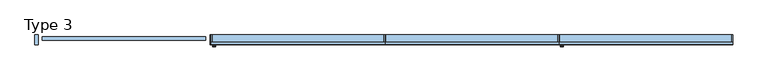
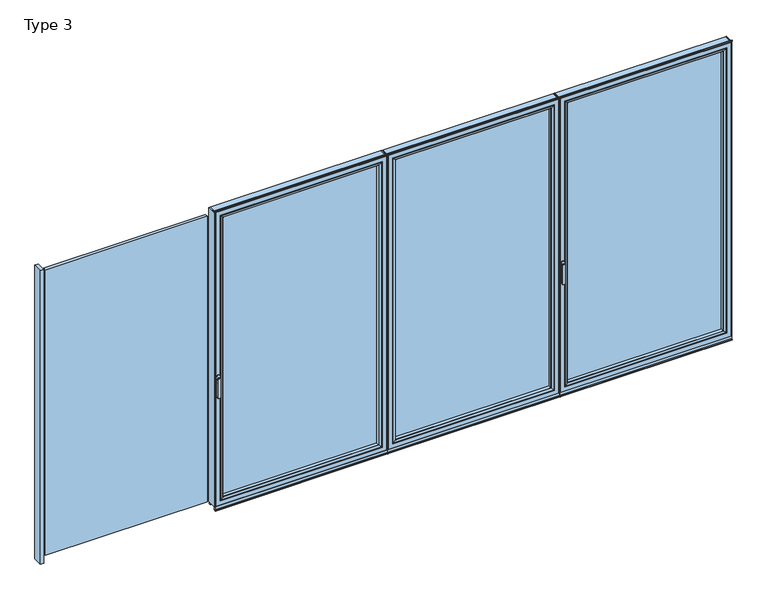
"""IFC4 building model written with IfcOpenShell, lengths in millimetres: window geometry, Type 3."""

from ifc_helpers import new_model, si_unit, point, frame, frame_2d, origin, place, context, project, spatial, polyline, circle_curve, ellipse_curve, trimmed, segment, composite_curve, outline, extrude, source, transform, mapped, element, save
from ifc_brep_helpers import plane_surface, cylinder_surface, extruded_surface, advanced_brep


def type_3_2554c236(model_context):
    return source(origin(), model_context, "Body", "SolidModel", [
        advanced_brep(
        [(-1209.4363692, -73.5, 1050.0), (-1233.4136308, -73.5, 1050.0), (-1209.4363692, -76.8965533, 1050.0), (-1233.4136308, -76.8965533, 1050.0), (-1209.4363692, -84.5, 1050.0), (-1233.4136308, -84.5, 1050.0), (-1233.4136308, -84.5, 918.6867153), (-1209.4363692, -84.5, 918.6867153), (-1209.4363692, -76.8965533, 918.6867153), (-1233.4136308, -76.8965533, 918.6867153)],
        [
            (0, 1, circle_curve(frame((-1221.425, -73.5, 1050.0), z_axis=(0.0, 1.0, 0.0), x_axis=(-1.0, 0.0, 0.0)), 11.9886308)),
            (1, 0, circle_curve(frame((-1221.425, -73.5, 1050.0), z_axis=(0.0, 1.0, 0.0), x_axis=(-1.0, 0.0, 0.0)), 11.9886308)),
            (0, 2),
            (2, 3, circle_curve(frame((-1221.425, -76.8965533, 1050.0), z_axis=(0.0, 1.0, 0.0), x_axis=(-1.0, 0.0, 0.0)), 11.9886308)),
            (3, 1),
            (3, 2, circle_curve(frame((-1221.425, -76.8965533, 1050.0), z_axis=(0.0, 1.0, 0.0), x_axis=(-1.0, 0.0, 0.0)), 11.9886308)),
            (4, 5, circle_curve(frame((-1221.425, -84.5, 1050.0), z_axis=(0.0, -1.0, 0.0), x_axis=(-1.0, 0.0, 0.0)), 11.9886308)),
            (5, 6),
            (6, 7, ellipse_curve(frame((-1221.425, -84.5, 918.6867153), z_axis=(0.0, -1.0, 0.0), x_axis=(1.0, 0.0, 0.0)), 11.9886308, 7.9050795)),
            (7, 4),
            (2, 8),
            (8, 9, ellipse_curve(frame((-1221.425, -76.8965533, 918.6867153), z_axis=(0.0, 1.0, 0.0), x_axis=(1.0, 0.0, 0.0)), 11.9886308, 7.9050795)),
            (9, 3),
            (7, 8),
            (2, 4),
            (6, 9),
            (5, 3),
        ],
        [
            plane_surface(frame((-1233.4136308, -73.5, 1050.0), z_axis=(0.0, 1.0, 0.0), x_axis=(0.0, 0.0, -1.0))),
            cylinder_surface(frame((-1221.425, -73.5, 1050.0), z_axis=(0.0, -1.0, 0.0), x_axis=(-1.0, 0.0, 0.0)), 11.9886308),
            plane_surface(frame((-1209.4363692, -84.5, 928.3382074), z_axis=(0.0, -1.0, 0.0), x_axis=(0.0, 0.0, -1.0))),
            plane_surface(frame((-1209.4363692, -76.8965533, 928.3382074), z_axis=(0.0, 1.0, 0.0), x_axis=(0.0, 0.0, 1.0))),
            plane_surface(frame((-1209.4363692, -84.5, 1050.0), z_axis=(1.0, 0.0, 0.0), x_axis=(0.0, 1.0, 0.0))),
            extruded_surface(trimmed(ellipse_curve(frame((-1221.425, -76.8965533, 918.6867153), z_axis=(0.0, 1.0, 0.0), x_axis=(1.0, 0.0, 0.0)), 11.9886308, 7.9050795), [point((-1209.4363692, -76.8965533, 918.6867153))], [point((-1233.4136308, -76.8965533, 918.6867153))], True, "CARTESIAN"), (0.0, 7.603446699999992, 0.0), 7.603446699999992),
            plane_surface(frame((-1233.4136308, -84.5, 918.6867153), z_axis=(-1.0, 0.0, 0.0), x_axis=(0.0, 1.0, 0.0))),
            cylinder_surface(frame((-1221.425, -76.8965533, 1050.0), z_axis=(0.0, -1.0, 0.0), x_axis=(-1.0, 0.0, 0.0)), 11.9886308),
        ],
        [
            (0, [[1, 2]]),
            (1, [[3, 4, 5, -1]]),
            (1, [[-5, 6, -3, -2]]),
            (2, [[7, 8, 9, 10]]),
            (3, [[-4, 11, 12, 13]]),
            (4, [[14, -11, 15, -10]]),
            (5, [[16, -12, -14, -9]]),
            (6, [[17, -13, -16, -8]]),
            (7, [[-15, -6, -17, -7]]),
        ],
    ),
        extrude(outline(composite_curve([segment(trimmed(circle_curve(frame_2d((1068.75, -1221.425)), 14.0), [point((1068.75, -1207.425))], [point((1068.75, -1235.425))], False, "CARTESIAN"), True, "CONTINUOUS"), segment(polyline([(1068.75, -1235.425), (1031.25, -1235.425)]), True, "CONTINUOUS"), segment(trimmed(circle_curve(frame_2d((1031.25, -1221.425)), 14.0), [point((1031.25, -1235.425))], [point((1031.25, -1207.425))], False, "CARTESIAN"), True, "CONTINUOUS"), segment(polyline([(1031.25, -1207.425), (1068.75, -1207.425)]), True, "CONTINUOUS")], self_intersect=False)), frame((0.0, -73.5, 0.0), z_axis=(0.0, 1.0, 0.0), x_axis=(0.0, 0.0, 1.0)), (0.0, 0.0, 1.0), 3.5),
        extrude(outline(polyline([(10.65, 0.0), (10.65, -70.0), (4.65, -70.0), (4.65, 0.0), (10.65, 0.0)])), frame((0.0, 0.0, 75.0), z_axis=(0.0, 0.0, 1.0), x_axis=(1.0, 0.0, 0.0)), (0.0, 0.0, 1.0), 2262.0),
        extrude(outline(polyline([(-1243.425, 0.0), (-1237.425, 0.0), (-1237.425, -70.0), (-1243.425, -70.0), (-1243.425, 0.0)])), frame((0.0, 0.0, 75.0), z_axis=(0.0, 0.0, 1.0), x_axis=(1.0, 0.0, 0.0)), (0.0, 0.0, 1.0), 2262.0),
        extrude(outline(polyline([(-27.35, -13.999939), (-27.35, -37.9928974), (-1205.425, -37.9928974), (-1205.425, -13.999939), (-27.35, -13.999939)])), frame((0.0, 0.0, 107.0), z_axis=(0.0, 0.0, 1.0), x_axis=(1.0, 0.0, 0.0)), (0.0, 0.0, 1.0), 2198.0),
        advanced_brep(
        [(-1183.4254272, -64.5552044, 2283.0004272), (-1183.4254272, -64.5552044, 128.9995728), (-1183.4254272, -37.9928974, 128.9995728), (-1183.4254272, -37.9928974, 2283.0004272), (-1205.425, -37.9928974, 2305.0), (-27.35, -37.9928974, 2305.0), (-27.35, -37.9928974, 107.0), (-1205.425, -37.9928974, 107.0), (-49.3495728, -37.9928974, 2283.0004272), (-49.3495728, -37.9928974, 128.9995728), (-49.3495728, -64.5552044, 128.9995728), (-1184.1349707, -65.8045072, 2283.7099707), (-1184.1349707, -65.8045072, 128.2900293), (-48.6400293, -65.8045072, 128.2900293), (-1199.425061, -70.0, 2299.000061), (-1199.425061, -70.0, 112.999939), (-33.349939, -70.0, 112.999939), (-27.35, -70.0, 2305.0), (-1205.425, -70.0, 2305.0), (-1205.425, -70.0, 107.0), (-27.35, -70.0, 107.0), (-33.349939, -70.0, 2299.000061), (-49.3495728, -64.5552044, 2283.0004272), (-48.6400293, -65.8045072, 2283.7099707)],
        [
            (0, 1),
            (1, 2),
            (2, 3),
            (3, 0),
            (4, 5),
            (5, 6),
            (6, 7),
            (7, 4),
            (8, 3),
            (2, 9),
            (9, 8),
            (1, 10),
            (10, 9),
            (11, 12),
            (12, 1, ellipse_curve(frame((-1184.8800312, -64.5552044, 127.5449688), z_axis=(-0.7071067811865475, 0.0, 0.7071067811865475), x_axis=(0.7071067811865474, 0.0, 0.7071067811865476)), 2.0571207, 1.454604)),
            (0, 11, ellipse_curve(frame((-1184.8800312, -64.5552044, 2284.4550312), z_axis=(-0.7071067811865475, 0.0, -0.7071067811865475), x_axis=(-0.7071067811865474, 0.0, 0.7071067811865476)), 2.0571207, 1.454604)),
            (12, 13),
            (13, 10, ellipse_curve(frame((-47.8949688, -64.5552044, 127.5449688), z_axis=(-0.7071067811865475, 0.0, -0.7071067811865475), x_axis=(-0.7071067811865476, 0.0, 0.7071067811865474)), 2.0571207, 1.454604)),
            (14, 15),
            (15, 12, ellipse_curve(frame((-1199.3611254, -40.2735922, 113.0638746), z_axis=(-0.7071067811865475, 0.0, 0.7071067811865475), x_axis=(0.7071067811865474, 0.0, 0.7071067811865476)), 42.0395863, 29.7264765)),
            (11, 14, ellipse_curve(frame((-1199.3611254, -40.2735922, 2298.9361254), z_axis=(-0.7071067811865475, 0.0, -0.7071067811865475), x_axis=(-0.7071067811865474, 0.0, 0.7071067811865476)), 42.0395863, 29.7264765)),
            (15, 16),
            (16, 13, ellipse_curve(frame((-33.4138746, -40.2735922, 113.0638746), z_axis=(-0.7071067811865475, 0.0, -0.7071067811865475), x_axis=(-0.7071067811865476, 0.0, 0.7071067811865474)), 42.0395863, 29.7264765)),
            (17, 18),
            (18, 19),
            (19, 20),
            (20, 17),
            (14, 21),
            (21, 16),
            (7, 19),
            (18, 4),
            (6, 20),
            (10, 22),
            (22, 8),
            (13, 23),
            (23, 22, ellipse_curve(frame((-47.8949688, -64.5552044, 2284.4550312), z_axis=(0.7071067811865475, 0.0, -0.7071067811865475), x_axis=(-0.7071067811865474, 0.0, -0.7071067811865476)), 2.0571207, 1.454604)),
            (21, 23, ellipse_curve(frame((-33.4138746, -40.2735922, 2298.9361254), z_axis=(0.7071067811865475, 0.0, -0.7071067811865475), x_axis=(-0.7071067811865474, 0.0, -0.7071067811865476)), 42.0395863, 29.7264765)),
            (5, 17),
            (22, 0),
            (23, 11),
        ],
        [
            plane_surface(frame((-1183.4254272, -37.9928974, 2283.0004272), z_axis=(1.0, 0.0, 0.0), x_axis=(0.0, 0.0, -1.0))),
            plane_surface(frame((-27.35, -37.9928974, 107.0), z_axis=(0.0, 1.0, 0.0), x_axis=(0.0, 0.0, 1.0))),
            plane_surface(frame((-1183.4254272, -37.9928974, 128.9995728), z_axis=(0.0, 0.0, 1.0), x_axis=(1.0, 0.0, 0.0))),
            cylinder_surface(frame((-1184.8800312, -64.5552044, 2283.0004272), z_axis=(0.0, 0.0, 1.0), x_axis=(-1.0, 0.0, 0.0)), 1.454604),
            cylinder_surface(frame((-1183.4254272, -64.5552044, 127.5449688), z_axis=(-1.0, 0.0, 0.0), x_axis=(0.0, 0.0, -1.0)), 1.454604),
            cylinder_surface(frame((-1199.3611254, -40.2735922, 2283.0004272), z_axis=(0.0, 0.0, 1.0), x_axis=(-1.0, 0.0, 0.0)), 29.7264765),
            cylinder_surface(frame((-1183.4254272, -40.2735922, 113.0638746), z_axis=(-1.0, 0.0, 0.0), x_axis=(0.0, 0.0, -1.0)), 29.7264765),
            plane_surface(frame((-33.349939, -70.0, 112.999939), z_axis=(0.0, -1.0, 0.0), x_axis=(0.0, 0.0, 1.0))),
            plane_surface(frame((-1205.425, -70.0, 2305.0), z_axis=(-1.0, 0.0, 0.0), x_axis=(0.0, 0.0, -1.0))),
            plane_surface(frame((-1205.425, -70.0, 107.0), z_axis=(0.0, 0.0, -1.0), x_axis=(1.0, 0.0, 0.0))),
            plane_surface(frame((-49.3495728, -37.9928974, 128.9995728), z_axis=(-1.0, 0.0, 0.0), x_axis=(0.0, 0.0, 1.0))),
            cylinder_surface(frame((-47.8949688, -64.5552044, 128.9995728), z_axis=(0.0, 0.0, -1.0), x_axis=(1.0, 0.0, 0.0)), 1.454604),
            cylinder_surface(frame((-33.4138746, -40.2735922, 128.9995728), z_axis=(0.0, 0.0, -1.0), x_axis=(1.0, 0.0, 0.0)), 29.7264765),
            plane_surface(frame((-27.35, -70.0, 107.0), z_axis=(1.0, 0.0, 0.0), x_axis=(0.0, 0.0, 1.0))),
            plane_surface(frame((-49.3495728, -37.9928974, 2283.0004272), z_axis=(0.0, 0.0, -1.0), x_axis=(-1.0, 0.0, 0.0))),
            cylinder_surface(frame((-49.3495728, -64.5552044, 2284.4550312), z_axis=(1.0, 0.0, 0.0), x_axis=(0.0, 0.0, 1.0)), 1.454604),
            cylinder_surface(frame((-49.3495728, -40.2735922, 2298.9361254), z_axis=(1.0, 0.0, 0.0), x_axis=(0.0, 0.0, 1.0)), 29.7264765),
            plane_surface(frame((-27.35, -70.0, 2305.0), z_axis=(0.0, 0.0, 1.0), x_axis=(-1.0, 0.0, 0.0))),
        ],
        [
            (0, [[1, 2, 3, 4]]),
            (1, [[5, 6, 7, 8], [9, -3, 10, 11]]),
            (2, [[12, 13, -10, -2]]),
            (3, [[14, 15, -1, 16]]),
            (4, [[17, 18, -12, -15]]),
            (5, [[19, 20, -14, 21]]),
            (6, [[22, 23, -17, -20]]),
            (7, [[24, 25, 26, 27], [28, 29, -22, -19]]),
            (8, [[-8, 30, -25, 31]]),
            (9, [[-7, 32, -26, -30]]),
            (10, [[33, 34, -11, -13]]),
            (11, [[35, 36, -33, -18]]),
            (12, [[-29, 37, -35, -23]]),
            (13, [[-6, 38, -27, -32]]),
            (14, [[39, -4, -9, -34]]),
            (15, [[40, -16, -39, -36]]),
            (16, [[-28, -21, -40, -37]]),
            (17, [[-5, -31, -24, -38]]),
        ],
    ),
        advanced_brep(
        [(4.65, -70.0, 2337.0), (4.65, -70.0, 75.0), (4.65, 0.0, 75.0), (4.65, 0.0, 2337.0), (-1237.425, -70.0, 75.0), (-1237.425, 0.0, 75.0), (-1237.425, 0.0, 2337.0), (-1187.9258099, 0.0, 124.4991901), (-44.8491901, 0.0, 124.4991901), (-44.8491901, 0.0, 2287.5008099), (-1187.9258099, 0.0, 2287.5008099), (-1237.425, -70.0, 2337.0), (-27.35, -70.0, 107.0), (-1205.425, -70.0, 107.0), (-1205.425, -70.0, 2305.0), (-27.35, -70.0, 2305.0), (-27.35, -13.999939, 2305.0), (-27.35, -13.999939, 107.0), (-1205.425, -13.999939, 107.0), (-1205.425, -13.999939, 2305.0), (-49.3495728, -13.999939, 128.9995728), (-1183.4254272, -13.999939, 128.9995728), (-1183.4254272, -13.999939, 2283.0004272), (-49.3495728, -13.999939, 2283.0004272), (-49.3495728, -4.5004435, 2283.0004272), (-49.3495728, -4.5004435, 128.9995728), (-1183.4254272, -4.5004435, 128.9995728), (-1183.4254272, -4.5004435, 2283.0004272)],
        [
            (0, 1),
            (1, 2),
            (2, 3),
            (3, 0),
            (1, 4),
            (4, 5),
            (5, 2),
            (5, 6),
            (6, 3),
            (7, 8),
            (8, 9),
            (9, 10),
            (10, 7),
            (4, 11),
            (11, 6),
            (0, 11),
            (12, 13),
            (13, 14),
            (14, 15),
            (15, 12),
            (16, 17),
            (17, 12),
            (15, 16),
            (17, 18),
            (18, 13),
            (18, 19),
            (19, 14),
            (16, 19),
            (20, 21),
            (21, 22),
            (22, 23),
            (23, 20),
            (24, 25),
            (25, 20),
            (23, 24),
            (25, 26),
            (26, 21),
            (26, 27),
            (27, 22),
            (7, 26, ellipse_curve(frame((-1187.9258099, -4.5004435, 124.4991901), z_axis=(0.7071067811865475, 0.0, -0.7071067811865475), x_axis=(0.7071067811865476, 0.0, 0.7071067811865474)), 6.3645023, 4.5003827)),
            (25, 8, ellipse_curve(frame((-44.8491901, -4.5004435, 124.4991901), z_axis=(-0.7071067811865475, 0.0, -0.7071067811865475), x_axis=(0.7071067811865476, 0.0, -0.7071067811865474)), 6.3645023, 4.5003827)),
            (24, 9, ellipse_curve(frame((-44.8491901, -4.5004435, 2287.5008099), z_axis=(0.7071067811865475, 0.0, -0.7071067811865475), x_axis=(0.7071067811865474, 0.0, 0.7071067811865476)), 6.3645023, 4.5003827)),
            (10, 27, ellipse_curve(frame((-1187.9258099, -4.5004435, 2287.5008099), z_axis=(-0.7071067811865475, 0.0, -0.7071067811865475), x_axis=(0.7071067811865474, 0.0, -0.7071067811865476)), 6.3645023, 4.5003827)),
            (27, 24),
        ],
        [
            plane_surface(frame((4.65, 0.0, 2337.0), z_axis=(1.0, 0.0, 0.0), x_axis=(0.0, 0.0, -1.0))),
            plane_surface(frame((4.65, 0.0, 75.0), z_axis=(0.0, 0.0, -1.0), x_axis=(-1.0, 0.0, 0.0))),
            plane_surface(frame((-44.8491901, 0.0, 2287.5008099), z_axis=(0.0, 1.0, 0.0), x_axis=(0.0, 0.0, -1.0))),
            plane_surface(frame((-1237.425, 0.0, 75.0), z_axis=(-1.0, 0.0, 0.0), x_axis=(0.0, 0.0, 1.0))),
            plane_surface(frame((4.65, -70.0, 2337.0), z_axis=(0.0, -1.0, 0.0), x_axis=(0.0, 0.0, -1.0))),
            plane_surface(frame((-27.35, -70.0, 2305.0), z_axis=(-1.0, 0.0, 0.0), x_axis=(0.0, 0.0, -1.0))),
            plane_surface(frame((-27.35, -70.0, 107.0), z_axis=(0.0, 0.0, 1.0), x_axis=(-1.0, 0.0, 0.0))),
            plane_surface(frame((-1205.425, -70.0, 107.0), z_axis=(1.0, 0.0, 0.0), x_axis=(0.0, 0.0, 1.0))),
            plane_surface(frame((-27.35, -13.999939, 2305.0), z_axis=(0.0, -1.0, 0.0), x_axis=(0.0, 0.0, -1.0))),
            plane_surface(frame((-49.3495728, -13.999939, 2283.0004272), z_axis=(-1.0, 0.0, 0.0), x_axis=(0.0, 0.0, -1.0))),
            plane_surface(frame((-49.3495728, -13.999939, 128.9995728), z_axis=(0.0, 0.0, 1.0), x_axis=(-1.0, 0.0, 0.0))),
            plane_surface(frame((-1183.4254272, -13.999939, 128.9995728), z_axis=(1.0, 0.0, 0.0), x_axis=(0.0, 0.0, 1.0))),
            cylinder_surface(frame((10.65, -4.5004435, 124.4991901), z_axis=(1.0, 0.0, 0.0), x_axis=(0.0, -1.0, 0.0)), 4.5003827),
            cylinder_surface(frame((-44.8491901, -4.5004435, 2343.0), z_axis=(0.0, 0.0, 1.0), x_axis=(0.0, -1.0, 0.0)), 4.5003827),
            cylinder_surface(frame((-1187.9258099, -4.5004435, 69.0), z_axis=(0.0, 0.0, -1.0), x_axis=(0.0, -1.0, 0.0)), 4.5003827),
            plane_surface(frame((-1237.425, 0.0, 2337.0), z_axis=(0.0, 0.0, 1.0), x_axis=(1.0, 0.0, 0.0))),
            plane_surface(frame((-1205.425, -70.0, 2305.0), z_axis=(0.0, 0.0, -1.0), x_axis=(1.0, 0.0, 0.0))),
            plane_surface(frame((-1183.4254272, -13.999939, 2283.0004272), z_axis=(0.0, 0.0, -1.0), x_axis=(1.0, 0.0, 0.0))),
            cylinder_surface(frame((-1243.425, -4.5004435, 2287.5008099), z_axis=(-1.0, 0.0, 0.0), x_axis=(0.0, -1.0, 0.0)), 4.5003827),
        ],
        [
            (0, [[1, 2, 3, 4]]),
            (1, [[5, 6, 7, -2]]),
            (2, [[-7, 8, 9, -3], [10, 11, 12, 13]]),
            (3, [[14, 15, -8, -6]]),
            (4, [[-5, -1, 16, -14], [17, 18, 19, 20]]),
            (5, [[21, 22, -20, 23]]),
            (6, [[24, 25, -17, -22]]),
            (7, [[26, 27, -18, -25]]),
            (8, [[-24, -21, 28, -26], [29, 30, 31, 32]]),
            (9, [[33, 34, -32, 35]]),
            (10, [[36, 37, -29, -34]]),
            (11, [[38, 39, -30, -37]]),
            (12, [[-10, 40, -36, 41]]),
            (13, [[-11, -41, -33, 42]]),
            (14, [[-13, 43, -38, -40]]),
            (15, [[-16, -4, -9, -15]]),
            (16, [[-28, -23, -19, -27]]),
            (17, [[44, -35, -31, -39]]),
            (18, [[-12, -42, -44, -43]]),
        ],
    ),
        extrude(outline(polyline([(10.65, -7.6000076), (-1243.425, -7.6000076), (-1243.425, 0.0), (10.65, 0.0), (10.65, -7.6000076)])), frame((0.0, 0.0, 52.9995117), z_axis=(0.0, 0.0, 1.0), x_axis=(1.0, 0.0, 0.0)), (0.0, 0.0, 1.0), 22.0004883),
        extrude(outline(composite_curve([segment(polyline([(-70.0, 45.0), (-70.0, 41.2896854), (-70.8737, 41.2896854), (-71.8670103, 44.9870904)]), True, "CONTINUOUS"), segment(trimmed(circle_curve(frame_2d((-69.9354978, 45.5059925)), 2.0), [point((-71.8670103, 44.9870904))], [point((-71.8566157, 46.0621453))], False, "CARTESIAN"), True, "CONTINUOUS"), segment(polyline([(-71.8566157, 46.0621453), (-70.0, 52.4754501), (-70.0, 75.0), (-62.2757497, 75.0), (-62.2757497, 45.0), (-70.0, 45.0)]), True, "CONTINUOUS")], self_intersect=False)), frame((-1243.425, 0.0, 0.0), z_axis=(1.0, 0.0, 0.0), x_axis=(0.0, 1.0, 0.0)), (0.0, 0.0, 1.0), 1254.075),
        extrude(outline(composite_curve([segment(polyline([(-52.044326, 2339.1400778), (-52.044326, 2337.0), (-70.0, 2337.0), (-71.8735116, 2343.9547971)]), True, "CONTINUOUS"), segment(trimmed(circle_curve(frame_2d((-69.9423544, 2344.4750201)), 2.0), [point((-71.8735116, 2343.9547971))], [point((-71.8738669, 2344.9939222))], False, "CARTESIAN"), True, "CONTINUOUS"), segment(polyline([(-71.8738669, 2344.9939222), (-70.8937897, 2348.6420698), (-70.0, 2348.6420698), (-70.0, 2342.963961), (-68.6363596, 2339.1400778), (-52.044326, 2339.1400778)]), True, "CONTINUOUS")], self_intersect=False)), frame((-1243.425, 0.0, 0.0), z_axis=(1.0, 0.0, 0.0), x_axis=(0.0, 1.0, 0.0)), (0.0, 0.0, 1.0), 1254.075),
        extrude(outline(polyline([(10.65, 0.0), (16.65, 0.0), (16.65, -70.0), (10.65, -70.0), (10.65, 0.0)])), frame((0.0, 0.0, 75.0), z_axis=(0.0, 0.0, 1.0), x_axis=(1.0, 0.0, 0.0)), (0.0, 0.0, 1.0), 2262.0),
        extrude(outline(polyline([(1264.725, 0.0), (1264.725, -70.0), (1258.725, -70.0), (1258.725, 0.0), (1264.725, 0.0)])), frame((0.0, 0.0, 75.0), z_axis=(0.0, 0.0, 1.0), x_axis=(1.0, 0.0, 0.0)), (0.0, 0.0, 1.0), 2262.0),
        extrude(outline(polyline([(48.65, -13.999939), (1226.725, -13.999939), (1226.725, -37.9928974), (48.65, -37.9928974), (48.65, -13.999939)])), frame((0.0, 0.0, 107.0), z_axis=(0.0, 0.0, 1.0), x_axis=(1.0, 0.0, 0.0)), (0.0, 0.0, 1.0), 2198.0),
        advanced_brep(
        [(1204.7254272, -64.5552044, 2283.0004272), (1204.7254272, -37.9928974, 2283.0004272), (1204.7254272, -37.9928974, 128.9995728), (1204.7254272, -64.5552044, 128.9995728), (1226.725, -37.9928974, 2305.0), (1226.725, -37.9928974, 107.0), (48.65, -37.9928974, 107.0), (48.65, -37.9928974, 2305.0), (70.6495728, -37.9928974, 2283.0004272), (70.6495728, -37.9928974, 128.9995728), (70.6495728, -64.5552044, 128.9995728), (1205.4349707, -65.8045072, 2283.7099707), (1205.4349707, -65.8045072, 128.2900293), (69.9400293, -65.8045072, 128.2900293), (1220.725061, -70.0, 2299.000061), (1220.725061, -70.0, 112.999939), (54.649939, -70.0, 112.999939), (48.65, -70.0, 2305.0), (48.65, -70.0, 107.0), (1226.725, -70.0, 107.0), (1226.725, -70.0, 2305.0), (54.649939, -70.0, 2299.000061), (70.6495728, -64.5552044, 2283.0004272), (69.9400293, -65.8045072, 2283.7099707)],
        [
            (0, 1),
            (1, 2),
            (2, 3),
            (3, 0),
            (4, 5),
            (5, 6),
            (6, 7),
            (7, 4),
            (8, 9),
            (9, 2),
            (1, 8),
            (9, 10),
            (10, 3),
            (11, 0, ellipse_curve(frame((1206.1800312, -64.5552044, 2284.4550312), z_axis=(0.7071067811865475, 0.0, -0.7071067811865475), x_axis=(0.7071067811865474, 0.0, 0.7071067811865476)), 2.0571207, 1.454604)),
            (3, 12, ellipse_curve(frame((1206.1800312, -64.5552044, 127.5449688), z_axis=(0.7071067811865475, 0.0, 0.7071067811865475), x_axis=(-0.7071067811865474, 0.0, 0.7071067811865476)), 2.0571207, 1.454604)),
            (12, 11),
            (10, 13, ellipse_curve(frame((69.1949688, -64.5552044, 127.5449688), z_axis=(0.7071067811865475, 0.0, -0.7071067811865475), x_axis=(0.7071067811865476, 0.0, 0.7071067811865474)), 2.0571207, 1.454604)),
            (13, 12),
            (14, 11, ellipse_curve(frame((1220.6611254, -40.2735922, 2298.9361254), z_axis=(0.7071067811865475, 0.0, -0.7071067811865475), x_axis=(0.7071067811865474, 0.0, 0.7071067811865476)), 42.0395863, 29.7264765)),
            (12, 15, ellipse_curve(frame((1220.6611254, -40.2735922, 113.0638746), z_axis=(0.7071067811865475, 0.0, 0.7071067811865475), x_axis=(-0.7071067811865474, 0.0, 0.7071067811865476)), 42.0395863, 29.7264765)),
            (15, 14),
            (13, 16, ellipse_curve(frame((54.7138746, -40.2735922, 113.0638746), z_axis=(0.7071067811865475, 0.0, -0.7071067811865475), x_axis=(0.7071067811865476, 0.0, 0.7071067811865474)), 42.0395863, 29.7264765)),
            (16, 15),
            (17, 18),
            (18, 19),
            (19, 20),
            (20, 17),
            (16, 21),
            (21, 14),
            (4, 20),
            (19, 5),
            (18, 6),
            (8, 22),
            (22, 10),
            (22, 23, ellipse_curve(frame((69.1949688, -64.5552044, 2284.4550312), z_axis=(-0.7071067811865475, 0.0, -0.7071067811865475), x_axis=(0.7071067811865474, 0.0, -0.7071067811865476)), 2.0571207, 1.454604)),
            (23, 13),
            (23, 21, ellipse_curve(frame((54.7138746, -40.2735922, 2298.9361254), z_axis=(-0.7071067811865475, 0.0, -0.7071067811865475), x_axis=(0.7071067811865474, 0.0, -0.7071067811865476)), 42.0395863, 29.7264765)),
            (17, 7),
            (0, 22),
            (11, 23),
        ],
        [
            plane_surface(frame((1204.7254272, -37.9928974, 2283.0004272), z_axis=(-1.0, 0.0, 0.0), x_axis=(0.0, 0.0, -1.0))),
            plane_surface(frame((48.65, -37.9928974, 107.0), z_axis=(0.0, 1.0, 0.0), x_axis=(0.0, 0.0, 1.0))),
            plane_surface(frame((1204.7254272, -37.9928974, 128.9995728), z_axis=(0.0, 0.0, 1.0), x_axis=(-1.0, 0.0, 0.0))),
            cylinder_surface(frame((1206.1800312, -64.5552044, 2283.0004272), z_axis=(0.0, 0.0, 1.0), x_axis=(1.0, 0.0, 0.0)), 1.454604),
            cylinder_surface(frame((1204.7254272, -64.5552044, 127.5449688), z_axis=(1.0, 0.0, 0.0), x_axis=(0.0, 0.0, -1.0)), 1.454604),
            cylinder_surface(frame((1220.6611254, -40.2735922, 2283.0004272), z_axis=(0.0, 0.0, 1.0), x_axis=(1.0, 0.0, 0.0)), 29.7264765),
            cylinder_surface(frame((1204.7254272, -40.2735922, 113.0638746), z_axis=(1.0, 0.0, 0.0), x_axis=(0.0, 0.0, -1.0)), 29.7264765),
            plane_surface(frame((54.649939, -70.0, 112.999939), z_axis=(0.0, -1.0, 0.0), x_axis=(0.0, 0.0, 1.0))),
            plane_surface(frame((1226.725, -70.0, 2305.0), z_axis=(1.0, 0.0, 0.0), x_axis=(0.0, 0.0, -1.0))),
            plane_surface(frame((1226.725, -70.0, 107.0), z_axis=(0.0, 0.0, -1.0), x_axis=(-1.0, 0.0, 0.0))),
            plane_surface(frame((70.6495728, -37.9928974, 128.9995728), z_axis=(1.0, 0.0, 0.0), x_axis=(0.0, 0.0, 1.0))),
            cylinder_surface(frame((69.1949688, -64.5552044, 128.9995728), z_axis=(0.0, 0.0, -1.0), x_axis=(-1.0, 0.0, 0.0)), 1.454604),
            cylinder_surface(frame((54.7138746, -40.2735922, 128.9995728), z_axis=(0.0, 0.0, -1.0), x_axis=(-1.0, 0.0, 0.0)), 29.7264765),
            plane_surface(frame((48.65, -70.0, 107.0), z_axis=(-1.0, 0.0, 0.0), x_axis=(0.0, 0.0, 1.0))),
            plane_surface(frame((70.6495728, -37.9928974, 2283.0004272), z_axis=(0.0, 0.0, -1.0), x_axis=(1.0, 0.0, 0.0))),
            cylinder_surface(frame((70.6495728, -64.5552044, 2284.4550312), z_axis=(-1.0, 0.0, 0.0), x_axis=(0.0, 0.0, 1.0)), 1.454604),
            cylinder_surface(frame((70.6495728, -40.2735922, 2298.9361254), z_axis=(-1.0, 0.0, 0.0), x_axis=(0.0, 0.0, 1.0)), 29.7264765),
            plane_surface(frame((48.65, -70.0, 2305.0), z_axis=(0.0, 0.0, 1.0), x_axis=(1.0, 0.0, 0.0))),
        ],
        [
            (0, [[1, 2, 3, 4]]),
            (1, [[5, 6, 7, 8], [9, 10, -2, 11]]),
            (2, [[-3, -10, 12, 13]]),
            (3, [[14, -4, 15, 16]]),
            (4, [[-15, -13, 17, 18]]),
            (5, [[19, -16, 20, 21]]),
            (6, [[-20, -18, 22, 23]]),
            (7, [[24, 25, 26, 27], [-21, -23, 28, 29]]),
            (8, [[30, -26, 31, -5]]),
            (9, [[-31, -25, 32, -6]]),
            (10, [[-12, -9, 33, 34]]),
            (11, [[-17, -34, 35, 36]]),
            (12, [[-22, -36, 37, -28]]),
            (13, [[-32, -24, 38, -7]]),
            (14, [[-33, -11, -1, 39]]),
            (15, [[-35, -39, -14, 40]]),
            (16, [[-37, -40, -19, -29]]),
            (17, [[-38, -27, -30, -8]]),
        ],
    ),
        advanced_brep(
        [(16.65, -70.0, 2337.0), (16.65, 0.0, 2337.0), (16.65, 0.0, 75.0), (16.65, -70.0, 75.0), (1258.725, 0.0, 75.0), (1258.725, -70.0, 75.0), (1258.725, 0.0, 2337.0), (1209.2258099, 0.0, 124.4991901), (1209.2258099, 0.0, 2287.5008099), (66.1491901, 0.0, 2287.5008099), (66.1491901, 0.0, 124.4991901), (1258.725, -70.0, 2337.0), (48.65, -70.0, 107.0), (48.65, -70.0, 2305.0), (1226.725, -70.0, 2305.0), (1226.725, -70.0, 107.0), (48.65, -13.999939, 2305.0), (48.65, -13.999939, 107.0), (1226.725, -13.999939, 107.0), (1226.725, -13.999939, 2305.0), (70.6495728, -13.999939, 128.9995728), (70.6495728, -13.999939, 2283.0004272), (1204.7254272, -13.999939, 2283.0004272), (1204.7254272, -13.999939, 128.9995728), (70.6495728, -4.5004435, 2283.0004272), (70.6495728, -4.5004435, 128.9995728), (1204.7254272, -4.5004435, 128.9995728), (1204.7254272, -4.5004435, 2283.0004272)],
        [
            (0, 1),
            (1, 2),
            (2, 3),
            (3, 0),
            (2, 4),
            (4, 5),
            (5, 3),
            (1, 6),
            (6, 4),
            (7, 8),
            (8, 9),
            (9, 10),
            (10, 7),
            (6, 11),
            (11, 5),
            (11, 0),
            (12, 13),
            (13, 14),
            (14, 15),
            (15, 12),
            (16, 13),
            (12, 17),
            (17, 16),
            (15, 18),
            (18, 17),
            (14, 19),
            (19, 18),
            (19, 16),
            (20, 21),
            (21, 22),
            (22, 23),
            (23, 20),
            (24, 21),
            (20, 25),
            (25, 24),
            (23, 26),
            (26, 25),
            (22, 27),
            (27, 26),
            (10, 25, ellipse_curve(frame((66.1491901, -4.5004435, 124.4991901), z_axis=(0.7071067811865475, 0.0, -0.7071067811865475), x_axis=(-0.7071067811865476, 0.0, -0.7071067811865474)), 6.3645023, 4.5003827)),
            (26, 7, ellipse_curve(frame((1209.2258099, -4.5004435, 124.4991901), z_axis=(-0.7071067811865475, 0.0, -0.7071067811865475), x_axis=(-0.7071067811865476, 0.0, 0.7071067811865474)), 6.3645023, 4.5003827)),
            (9, 24, ellipse_curve(frame((66.1491901, -4.5004435, 2287.5008099), z_axis=(-0.7071067811865475, 0.0, -0.7071067811865475), x_axis=(-0.7071067811865474, 0.0, 0.7071067811865476)), 6.3645023, 4.5003827)),
            (27, 8, ellipse_curve(frame((1209.2258099, -4.5004435, 2287.5008099), z_axis=(0.7071067811865475, 0.0, -0.7071067811865475), x_axis=(-0.7071067811865474, 0.0, -0.7071067811865476)), 6.3645023, 4.5003827)),
            (24, 27),
        ],
        [
            plane_surface(frame((16.65, 0.0, 2337.0), z_axis=(-1.0, 0.0, 0.0), x_axis=(0.0, 0.0, -1.0))),
            plane_surface(frame((16.65, 0.0, 75.0), z_axis=(0.0, 0.0, -1.0), x_axis=(1.0, 0.0, 0.0))),
            plane_surface(frame((66.1491901, 0.0, 2287.5008099), z_axis=(0.0, 1.0, 0.0), x_axis=(0.0, 0.0, -1.0))),
            plane_surface(frame((1258.725, 0.0, 75.0), z_axis=(1.0, 0.0, 0.0), x_axis=(0.0, 0.0, 1.0))),
            plane_surface(frame((16.65, -70.0, 2337.0), z_axis=(0.0, -1.0, 0.0), x_axis=(0.0, 0.0, -1.0))),
            plane_surface(frame((48.65, -70.0, 2305.0), z_axis=(1.0, 0.0, 0.0), x_axis=(0.0, 0.0, -1.0))),
            plane_surface(frame((48.65, -70.0, 107.0), z_axis=(0.0, 0.0, 1.0), x_axis=(1.0, 0.0, 0.0))),
            plane_surface(frame((1226.725, -70.0, 107.0), z_axis=(-1.0, 0.0, 0.0), x_axis=(0.0, 0.0, 1.0))),
            plane_surface(frame((48.65, -13.999939, 2305.0), z_axis=(0.0, -1.0, 0.0), x_axis=(0.0, 0.0, -1.0))),
            plane_surface(frame((70.6495728, -13.999939, 2283.0004272), z_axis=(1.0, 0.0, 0.0), x_axis=(0.0, 0.0, -1.0))),
            plane_surface(frame((70.6495728, -13.999939, 128.9995728), z_axis=(0.0, 0.0, 1.0), x_axis=(1.0, 0.0, 0.0))),
            plane_surface(frame((1204.7254272, -13.999939, 128.9995728), z_axis=(-1.0, 0.0, 0.0), x_axis=(0.0, 0.0, 1.0))),
            cylinder_surface(frame((10.65, -4.5004435, 124.4991901), z_axis=(-1.0, 0.0, 0.0), x_axis=(0.0, -1.0, 0.0)), 4.5003827),
            cylinder_surface(frame((66.1491901, -4.5004435, 2343.0), z_axis=(0.0, 0.0, 1.0), x_axis=(0.0, -1.0, 0.0)), 4.5003827),
            cylinder_surface(frame((1209.2258099, -4.5004435, 69.0), z_axis=(0.0, 0.0, -1.0), x_axis=(0.0, -1.0, 0.0)), 4.5003827),
            plane_surface(frame((1258.725, 0.0, 2337.0), z_axis=(0.0, 0.0, 1.0), x_axis=(-1.0, 0.0, 0.0))),
            plane_surface(frame((1226.725, -70.0, 2305.0), z_axis=(0.0, 0.0, -1.0), x_axis=(-1.0, 0.0, 0.0))),
            plane_surface(frame((1204.7254272, -13.999939, 2283.0004272), z_axis=(0.0, 0.0, -1.0), x_axis=(-1.0, 0.0, 0.0))),
            cylinder_surface(frame((1264.725, -4.5004435, 2287.5008099), z_axis=(1.0, 0.0, 0.0), x_axis=(0.0, -1.0, 0.0)), 4.5003827),
        ],
        [
            (0, [[1, 2, 3, 4]]),
            (1, [[-3, 5, 6, 7]]),
            (2, [[-2, 8, 9, -5], [10, 11, 12, 13]]),
            (3, [[-6, -9, 14, 15]]),
            (4, [[-15, 16, -4, -7], [17, 18, 19, 20]]),
            (5, [[21, -17, 22, 23]]),
            (6, [[-22, -20, 24, 25]]),
            (7, [[-24, -19, 26, 27]]),
            (8, [[-27, 28, -23, -25], [29, 30, 31, 32]]),
            (9, [[33, -29, 34, 35]]),
            (10, [[-34, -32, 36, 37]]),
            (11, [[-36, -31, 38, 39]]),
            (12, [[40, -37, 41, -13]]),
            (13, [[42, -35, -40, -12]]),
            (14, [[-41, -39, 43, -10]]),
            (15, [[-14, -8, -1, -16]]),
            (16, [[-26, -18, -21, -28]]),
            (17, [[-38, -30, -33, 44]]),
            (18, [[-43, -44, -42, -11]]),
        ],
    ),
        extrude(outline(polyline([(10.65, -7.6000076), (10.65, 0.0), (1264.725, 0.0), (1264.725, -7.6000076), (10.65, -7.6000076)])), frame((0.0, 0.0, 52.9995117), z_axis=(0.0, 0.0, 1.0), x_axis=(1.0, 0.0, 0.0)), (0.0, 0.0, 1.0), 22.0004883),
        extrude(outline(composite_curve([segment(polyline([(-70.0, 45.0), (-70.0, 41.2896854), (-70.8737, 41.2896854), (-71.8670103, 44.9870904)]), True, "CONTINUOUS"), segment(trimmed(circle_curve(frame_2d((-69.9354978, 45.5059925)), 2.0), [point((-71.8670103, 44.9870904))], [point((-71.8566157, 46.0621453))], False, "CARTESIAN"), True, "CONTINUOUS"), segment(polyline([(-71.8566157, 46.0621453), (-70.0, 52.4754501), (-70.0, 75.0), (-62.2757497, 75.0), (-62.2757497, 45.0), (-70.0, 45.0)]), True, "CONTINUOUS")], self_intersect=False)), frame((10.65, 0.0, 0.0), z_axis=(1.0, 0.0, 0.0), x_axis=(0.0, 1.0, 0.0)), (0.0, 0.0, 1.0), 1254.075),
        extrude(outline(composite_curve([segment(polyline([(-52.044326, 2339.1400778), (-52.044326, 2337.0), (-70.0, 2337.0), (-71.8735116, 2343.9547971)]), True, "CONTINUOUS"), segment(trimmed(circle_curve(frame_2d((-69.9423544, 2344.4750201)), 2.0), [point((-71.8735116, 2343.9547971))], [point((-71.8738669, 2344.9939222))], False, "CARTESIAN"), True, "CONTINUOUS"), segment(polyline([(-71.8738669, 2344.9939222), (-70.8937897, 2348.6420698), (-70.0, 2348.6420698), (-70.0, 2342.963961), (-68.6363596, 2339.1400778), (-52.044326, 2339.1400778)]), True, "CONTINUOUS")], self_intersect=False)), frame((10.65, 0.0, 0.0), z_axis=(1.0, 0.0, 0.0), x_axis=(0.0, 1.0, 0.0)), (0.0, 0.0, 1.0), 1254.075),
        advanced_brep(
        [(1298.7136308, -73.5, 1050.0), (1274.7363692, -73.5, 1050.0), (1298.7136308, -76.8965533, 1050.0), (1274.7363692, -76.8965533, 1050.0), (1298.7136308, -84.5, 1050.0), (1274.7363692, -84.5, 1050.0), (1274.7363692, -84.5, 918.6867153), (1298.7136308, -84.5, 918.6867153), (1298.7136308, -76.8965533, 918.6867153), (1274.7363692, -76.8965533, 918.6867153)],
        [
            (0, 1, circle_curve(frame((1286.725, -73.5, 1050.0), z_axis=(0.0, 1.0, 0.0), x_axis=(-1.0, 0.0, 0.0)), 11.9886308)),
            (1, 0, circle_curve(frame((1286.725, -73.5, 1050.0), z_axis=(0.0, 1.0, 0.0), x_axis=(-1.0, 0.0, 0.0)), 11.9886308)),
            (0, 2),
            (2, 3, circle_curve(frame((1286.725, -76.8965533, 1050.0), z_axis=(0.0, 1.0, 0.0), x_axis=(-1.0, 0.0, 0.0)), 11.9886308)),
            (3, 1),
            (3, 2, circle_curve(frame((1286.725, -76.8965533, 1050.0), z_axis=(0.0, 1.0, 0.0), x_axis=(-1.0, 0.0, 0.0)), 11.9886308)),
            (4, 5, circle_curve(frame((1286.725, -84.5, 1050.0), z_axis=(0.0, -1.0, 0.0), x_axis=(-1.0, 0.0, 0.0)), 11.9886308)),
            (5, 6),
            (6, 7, ellipse_curve(frame((1286.725, -84.5, 918.6867153), z_axis=(0.0, -1.0, 0.0), x_axis=(1.0, 0.0, 0.0)), 11.9886308, 7.9050795)),
            (7, 4),
            (2, 8),
            (8, 9, ellipse_curve(frame((1286.725, -76.8965533, 918.6867153), z_axis=(0.0, 1.0, 0.0), x_axis=(1.0, 0.0, 0.0)), 11.9886308, 7.9050795)),
            (9, 3),
            (7, 8),
            (2, 4),
            (6, 9),
            (5, 3),
        ],
        [
            plane_surface(frame((1274.7363692, -73.5, 1050.0), z_axis=(0.0, 1.0, 0.0), x_axis=(0.0, 0.0, -1.0))),
            cylinder_surface(frame((1286.725, -73.5, 1050.0), z_axis=(0.0, -1.0, 0.0), x_axis=(-1.0, 0.0, 0.0)), 11.9886308),
            plane_surface(frame((1298.7136308, -84.5, 928.3382074), z_axis=(0.0, -1.0, 0.0), x_axis=(0.0, 0.0, -1.0))),
            plane_surface(frame((1298.7136308, -76.8965533, 928.3382074), z_axis=(0.0, 1.0, 0.0), x_axis=(0.0, 0.0, 1.0))),
            plane_surface(frame((1298.7136308, -84.5, 1050.0), z_axis=(1.0, 0.0, 0.0), x_axis=(0.0, 1.0, 0.0))),
            extruded_surface(trimmed(ellipse_curve(frame((1286.725, -76.8965533, 918.6867153), z_axis=(0.0, 1.0, 0.0), x_axis=(1.0, 0.0, 0.0)), 11.9886308, 7.9050795), [point((1298.7136308, -76.8965533, 918.6867153))], [point((1274.7363692, -76.8965533, 918.6867153))], True, "CARTESIAN"), (0.0, 7.603446699999992, 0.0), 7.603446699999992),
            plane_surface(frame((1274.7363692, -84.5, 918.6867153), z_axis=(-1.0, 0.0, 0.0), x_axis=(0.0, 1.0, 0.0))),
            cylinder_surface(frame((1286.725, -76.8965533, 1050.0), z_axis=(0.0, -1.0, 0.0), x_axis=(-1.0, 0.0, 0.0)), 11.9886308),
        ],
        [
            (0, [[1, 2]]),
            (1, [[3, 4, 5, -1]]),
            (1, [[-5, 6, -3, -2]]),
            (2, [[7, 8, 9, 10]]),
            (3, [[-4, 11, 12, 13]]),
            (4, [[14, -11, 15, -10]]),
            (5, [[16, -12, -14, -9]]),
            (6, [[17, -13, -16, -8]]),
            (7, [[-15, -6, -17, -7]]),
        ],
    ),
        extrude(outline(composite_curve([segment(trimmed(circle_curve(frame_2d((1068.75, 1286.725)), 14.0), [point((1068.75, 1300.725))], [point((1068.75, 1272.725))], False, "CARTESIAN"), True, "CONTINUOUS"), segment(polyline([(1068.75, 1272.725), (1031.25, 1272.725)]), True, "CONTINUOUS"), segment(trimmed(circle_curve(frame_2d((1031.25, 1286.725)), 14.0), [point((1031.25, 1272.725))], [point((1031.25, 1300.725))], False, "CARTESIAN"), True, "CONTINUOUS"), segment(polyline([(1031.25, 1300.725), (1068.75, 1300.725)]), True, "CONTINUOUS")], self_intersect=False)), frame((0.0, -73.5, 0.0), z_axis=(0.0, 1.0, 0.0), x_axis=(0.0, 0.0, 1.0)), (0.0, 0.0, 1.0), 3.5),
        extrude(outline(polyline([(2518.8, 0.0), (2518.8, -70.0), (2512.8, -70.0), (2512.8, 0.0), (2518.8, 0.0)])), frame((0.0, 0.0, 75.0), z_axis=(0.0, 0.0, 1.0), x_axis=(1.0, 0.0, 0.0)), (0.0, 0.0, 1.0), 2262.0),
        extrude(outline(polyline([(1264.725, 0.0), (1270.725, 0.0), (1270.725, -70.0), (1264.725, -70.0), (1264.725, 0.0)])), frame((0.0, 0.0, 75.0), z_axis=(0.0, 0.0, 1.0), x_axis=(1.0, 0.0, 0.0)), (0.0, 0.0, 1.0), 2262.0),
        extrude(outline(polyline([(2480.8, -13.999939), (2480.8, -37.9928974), (1302.725, -37.9928974), (1302.725, -13.999939), (2480.8, -13.999939)])), frame((0.0, 0.0, 107.0), z_axis=(0.0, 0.0, 1.0), x_axis=(1.0, 0.0, 0.0)), (0.0, 0.0, 1.0), 2198.0),
        advanced_brep(
        [(1324.7245728, -64.5552044, 2283.0004272), (1324.7245728, -64.5552044, 128.9995728), (1324.7245728, -37.9928974, 128.9995728), (1324.7245728, -37.9928974, 2283.0004272), (1302.725, -37.9928974, 2305.0), (2480.8, -37.9928974, 2305.0), (2480.8, -37.9928974, 107.0), (1302.725, -37.9928974, 107.0), (2458.8004272, -37.9928974, 2283.0004272), (2458.8004272, -37.9928974, 128.9995728), (2458.8004272, -64.5552044, 128.9995728), (1324.0150293, -65.8045072, 2283.7099707), (1324.0150293, -65.8045072, 128.2900293), (2459.5099707, -65.8045072, 128.2900293), (1308.724939, -70.0, 2299.000061), (1308.724939, -70.0, 112.999939), (2474.800061, -70.0, 112.999939), (2480.8, -70.0, 2305.0), (1302.725, -70.0, 2305.0), (1302.725, -70.0, 107.0), (2480.8, -70.0, 107.0), (2474.800061, -70.0, 2299.000061), (2458.8004272, -64.5552044, 2283.0004272), (2459.5099707, -65.8045072, 2283.7099707)],
        [
            (0, 1),
            (1, 2),
            (2, 3),
            (3, 0),
            (4, 5),
            (5, 6),
            (6, 7),
            (7, 4),
            (8, 3),
            (2, 9),
            (9, 8),
            (1, 10),
            (10, 9),
            (11, 12),
            (12, 1, ellipse_curve(frame((1323.2699688, -64.5552044, 127.5449688), z_axis=(-0.7071067811865475, 0.0, 0.7071067811865475), x_axis=(0.7071067811865474, 0.0, 0.7071067811865476)), 2.0571207, 1.454604)),
            (0, 11, ellipse_curve(frame((1323.2699688, -64.5552044, 2284.4550312), z_axis=(-0.7071067811865475, 0.0, -0.7071067811865475), x_axis=(-0.7071067811865474, 0.0, 0.7071067811865476)), 2.0571207, 1.454604)),
            (12, 13),
            (13, 10, ellipse_curve(frame((2460.2550312, -64.5552044, 127.5449688), z_axis=(-0.7071067811865475, 0.0, -0.7071067811865475), x_axis=(-0.7071067811865476, 0.0, 0.7071067811865474)), 2.0571207, 1.454604)),
            (14, 15),
            (15, 12, ellipse_curve(frame((1308.7888746, -40.2735922, 113.0638746), z_axis=(-0.7071067811865475, 0.0, 0.7071067811865475), x_axis=(0.7071067811865474, 0.0, 0.7071067811865476)), 42.0395863, 29.7264765)),
            (11, 14, ellipse_curve(frame((1308.7888746, -40.2735922, 2298.9361254), z_axis=(-0.7071067811865475, 0.0, -0.7071067811865475), x_axis=(-0.7071067811865474, 0.0, 0.7071067811865476)), 42.0395863, 29.7264765)),
            (15, 16),
            (16, 13, ellipse_curve(frame((2474.7361254, -40.2735922, 113.0638746), z_axis=(-0.7071067811865475, 0.0, -0.7071067811865475), x_axis=(-0.7071067811865476, 0.0, 0.7071067811865474)), 42.0395863, 29.7264765)),
            (17, 18),
            (18, 19),
            (19, 20),
            (20, 17),
            (14, 21),
            (21, 16),
            (7, 19),
            (18, 4),
            (6, 20),
            (10, 22),
            (22, 8),
            (13, 23),
            (23, 22, ellipse_curve(frame((2460.2550312, -64.5552044, 2284.4550312), z_axis=(0.7071067811865475, 0.0, -0.7071067811865475), x_axis=(-0.7071067811865474, 0.0, -0.7071067811865476)), 2.0571207, 1.454604)),
            (21, 23, ellipse_curve(frame((2474.7361254, -40.2735922, 2298.9361254), z_axis=(0.7071067811865475, 0.0, -0.7071067811865475), x_axis=(-0.7071067811865474, 0.0, -0.7071067811865476)), 42.0395863, 29.7264765)),
            (5, 17),
            (22, 0),
            (23, 11),
        ],
        [
            plane_surface(frame((1324.7245728, -37.9928974, 2283.0004272), z_axis=(1.0, 0.0, 0.0), x_axis=(0.0, 0.0, -1.0))),
            plane_surface(frame((2480.8, -37.9928974, 107.0), z_axis=(0.0, 1.0, 0.0), x_axis=(0.0, 0.0, 1.0))),
            plane_surface(frame((1324.7245728, -37.9928974, 128.9995728), z_axis=(0.0, 0.0, 1.0), x_axis=(1.0, 0.0, 0.0))),
            cylinder_surface(frame((1323.2699688, -64.5552044, 2283.0004272), z_axis=(0.0, 0.0, 1.0), x_axis=(-1.0, 0.0, 0.0)), 1.454604),
            cylinder_surface(frame((1324.7245728, -64.5552044, 127.5449688), z_axis=(-1.0, 0.0, 0.0), x_axis=(0.0, 0.0, -1.0)), 1.454604),
            cylinder_surface(frame((1308.7888746, -40.2735922, 2283.0004272), z_axis=(0.0, 0.0, 1.0), x_axis=(-1.0, 0.0, 0.0)), 29.7264765),
            cylinder_surface(frame((1324.7245728, -40.2735922, 113.0638746), z_axis=(-1.0, 0.0, 0.0), x_axis=(0.0, 0.0, -1.0)), 29.7264765),
            plane_surface(frame((2474.800061, -70.0, 112.999939), z_axis=(0.0, -1.0, 0.0), x_axis=(0.0, 0.0, 1.0))),
            plane_surface(frame((1302.725, -70.0, 2305.0), z_axis=(-1.0, 0.0, 0.0), x_axis=(0.0, 0.0, -1.0))),
            plane_surface(frame((1302.725, -70.0, 107.0), z_axis=(0.0, 0.0, -1.0), x_axis=(1.0, 0.0, 0.0))),
            plane_surface(frame((2458.8004272, -37.9928974, 128.9995728), z_axis=(-1.0, 0.0, 0.0), x_axis=(0.0, 0.0, 1.0))),
            cylinder_surface(frame((2460.2550312, -64.5552044, 128.9995728), z_axis=(0.0, 0.0, -1.0), x_axis=(1.0, 0.0, 0.0)), 1.454604),
            cylinder_surface(frame((2474.7361254, -40.2735922, 128.9995728), z_axis=(0.0, 0.0, -1.0), x_axis=(1.0, 0.0, 0.0)), 29.7264765),
            plane_surface(frame((2480.8, -70.0, 107.0), z_axis=(1.0, 0.0, 0.0), x_axis=(0.0, 0.0, 1.0))),
            plane_surface(frame((2458.8004272, -37.9928974, 2283.0004272), z_axis=(0.0, 0.0, -1.0), x_axis=(-1.0, 0.0, 0.0))),
            cylinder_surface(frame((2458.8004272, -64.5552044, 2284.4550312), z_axis=(1.0, 0.0, 0.0), x_axis=(0.0, 0.0, 1.0)), 1.454604),
            cylinder_surface(frame((2458.8004272, -40.2735922, 2298.9361254), z_axis=(1.0, 0.0, 0.0), x_axis=(0.0, 0.0, 1.0)), 29.7264765),
            plane_surface(frame((2480.8, -70.0, 2305.0), z_axis=(0.0, 0.0, 1.0), x_axis=(-1.0, 0.0, 0.0))),
        ],
        [
            (0, [[1, 2, 3, 4]]),
            (1, [[5, 6, 7, 8], [9, -3, 10, 11]]),
            (2, [[12, 13, -10, -2]]),
            (3, [[14, 15, -1, 16]]),
            (4, [[17, 18, -12, -15]]),
            (5, [[19, 20, -14, 21]]),
            (6, [[22, 23, -17, -20]]),
            (7, [[24, 25, 26, 27], [28, 29, -22, -19]]),
            (8, [[-8, 30, -25, 31]]),
            (9, [[-7, 32, -26, -30]]),
            (10, [[33, 34, -11, -13]]),
            (11, [[35, 36, -33, -18]]),
            (12, [[-29, 37, -35, -23]]),
            (13, [[-6, 38, -27, -32]]),
            (14, [[39, -4, -9, -34]]),
            (15, [[40, -16, -39, -36]]),
            (16, [[-28, -21, -40, -37]]),
            (17, [[-5, -31, -24, -38]]),
        ],
    ),
        advanced_brep(
        [(2512.8, -70.0, 2337.0), (2512.8, -70.0, 75.0), (2512.8, 0.0, 75.0), (2512.8, 0.0, 2337.0), (1270.725, -70.0, 75.0), (1270.725, 0.0, 75.0), (1270.725, 0.0, 2337.0), (1320.2241901, 0.0, 124.4991901), (2463.3008099, 0.0, 124.4991901), (2463.3008099, 0.0, 2287.5008099), (1320.2241901, 0.0, 2287.5008099), (1270.725, -70.0, 2337.0), (2480.8, -70.0, 107.0), (1302.725, -70.0, 107.0), (1302.725, -70.0, 2305.0), (2480.8, -70.0, 2305.0), (2480.8, -13.999939, 2305.0), (2480.8, -13.999939, 107.0), (1302.725, -13.999939, 107.0), (1302.725, -13.999939, 2305.0), (2458.8004272, -13.999939, 128.9995728), (1324.7245728, -13.999939, 128.9995728), (1324.7245728, -13.999939, 2283.0004272), (2458.8004272, -13.999939, 2283.0004272), (2458.8004272, -4.5004435, 2283.0004272), (2458.8004272, -4.5004435, 128.9995728), (1324.7245728, -4.5004435, 128.9995728), (1324.7245728, -4.5004435, 2283.0004272)],
        [
            (0, 1),
            (1, 2),
            (2, 3),
            (3, 0),
            (1, 4),
            (4, 5),
            (5, 2),
            (5, 6),
            (6, 3),
            (7, 8),
            (8, 9),
            (9, 10),
            (10, 7),
            (4, 11),
            (11, 6),
            (0, 11),
            (12, 13),
            (13, 14),
            (14, 15),
            (15, 12),
            (16, 17),
            (17, 12),
            (15, 16),
            (17, 18),
            (18, 13),
            (18, 19),
            (19, 14),
            (16, 19),
            (20, 21),
            (21, 22),
            (22, 23),
            (23, 20),
            (24, 25),
            (25, 20),
            (23, 24),
            (25, 26),
            (26, 21),
            (26, 27),
            (27, 22),
            (7, 26, ellipse_curve(frame((1320.2241901, -4.5004435, 124.4991901), z_axis=(0.7071067811865475, 0.0, -0.7071067811865475), x_axis=(0.7071067811865476, 0.0, 0.7071067811865474)), 6.3645023, 4.5003827)),
            (25, 8, ellipse_curve(frame((2463.3008099, -4.5004435, 124.4991901), z_axis=(-0.7071067811865475, 0.0, -0.7071067811865475), x_axis=(0.7071067811865476, 0.0, -0.7071067811865474)), 6.3645023, 4.5003827)),
            (24, 9, ellipse_curve(frame((2463.3008099, -4.5004435, 2287.5008099), z_axis=(0.7071067811865475, 0.0, -0.7071067811865475), x_axis=(0.7071067811865474, 0.0, 0.7071067811865476)), 6.3645023, 4.5003827)),
            (10, 27, ellipse_curve(frame((1320.2241901, -4.5004435, 2287.5008099), z_axis=(-0.7071067811865475, 0.0, -0.7071067811865475), x_axis=(0.7071067811865474, 0.0, -0.7071067811865476)), 6.3645023, 4.5003827)),
            (27, 24),
        ],
        [
            plane_surface(frame((2512.8, 0.0, 2337.0), z_axis=(1.0, 0.0, 0.0), x_axis=(0.0, 0.0, -1.0))),
            plane_surface(frame((2512.8, 0.0, 75.0), z_axis=(0.0, 0.0, -1.0), x_axis=(-1.0, 0.0, 0.0))),
            plane_surface(frame((2463.3008099, 0.0, 2287.5008099), z_axis=(0.0, 1.0, 0.0), x_axis=(0.0, 0.0, -1.0))),
            plane_surface(frame((1270.725, 0.0, 75.0), z_axis=(-1.0, 0.0, 0.0), x_axis=(0.0, 0.0, 1.0))),
            plane_surface(frame((2512.8, -70.0, 2337.0), z_axis=(0.0, -1.0, 0.0), x_axis=(0.0, 0.0, -1.0))),
            plane_surface(frame((2480.8, -70.0, 2305.0), z_axis=(-1.0, 0.0, 0.0), x_axis=(0.0, 0.0, -1.0))),
            plane_surface(frame((2480.8, -70.0, 107.0), z_axis=(0.0, 0.0, 1.0), x_axis=(-1.0, 0.0, 0.0))),
            plane_surface(frame((1302.725, -70.0, 107.0), z_axis=(1.0, 0.0, 0.0), x_axis=(0.0, 0.0, 1.0))),
            plane_surface(frame((2480.8, -13.999939, 2305.0), z_axis=(0.0, -1.0, 0.0), x_axis=(0.0, 0.0, -1.0))),
            plane_surface(frame((2458.8004272, -13.999939, 2283.0004272), z_axis=(-1.0, 0.0, 0.0), x_axis=(0.0, 0.0, -1.0))),
            plane_surface(frame((2458.8004272, -13.999939, 128.9995728), z_axis=(0.0, 0.0, 1.0), x_axis=(-1.0, 0.0, 0.0))),
            plane_surface(frame((1324.7245728, -13.999939, 128.9995728), z_axis=(1.0, 0.0, 0.0), x_axis=(0.0, 0.0, 1.0))),
            cylinder_surface(frame((2518.8, -4.5004435, 124.4991901), z_axis=(1.0, 0.0, 0.0), x_axis=(0.0, -1.0, 0.0)), 4.5003827),
            cylinder_surface(frame((2463.3008099, -4.5004435, 2343.0), z_axis=(0.0, 0.0, 1.0), x_axis=(0.0, -1.0, 0.0)), 4.5003827),
            cylinder_surface(frame((1320.2241901, -4.5004435, 69.0), z_axis=(0.0, 0.0, -1.0), x_axis=(0.0, -1.0, 0.0)), 4.5003827),
            plane_surface(frame((1270.725, 0.0, 2337.0), z_axis=(0.0, 0.0, 1.0), x_axis=(1.0, 0.0, 0.0))),
            plane_surface(frame((1302.725, -70.0, 2305.0), z_axis=(0.0, 0.0, -1.0), x_axis=(1.0, 0.0, 0.0))),
            plane_surface(frame((1324.7245728, -13.999939, 2283.0004272), z_axis=(0.0, 0.0, -1.0), x_axis=(1.0, 0.0, 0.0))),
            cylinder_surface(frame((1264.725, -4.5004435, 2287.5008099), z_axis=(-1.0, 0.0, 0.0), x_axis=(0.0, -1.0, 0.0)), 4.5003827),
        ],
        [
            (0, [[1, 2, 3, 4]]),
            (1, [[5, 6, 7, -2]]),
            (2, [[-7, 8, 9, -3], [10, 11, 12, 13]]),
            (3, [[14, 15, -8, -6]]),
            (4, [[-5, -1, 16, -14], [17, 18, 19, 20]]),
            (5, [[21, 22, -20, 23]]),
            (6, [[24, 25, -17, -22]]),
            (7, [[26, 27, -18, -25]]),
            (8, [[-24, -21, 28, -26], [29, 30, 31, 32]]),
            (9, [[33, 34, -32, 35]]),
            (10, [[36, 37, -29, -34]]),
            (11, [[38, 39, -30, -37]]),
            (12, [[-10, 40, -36, 41]]),
            (13, [[-11, -41, -33, 42]]),
            (14, [[-13, 43, -38, -40]]),
            (15, [[-16, -4, -9, -15]]),
            (16, [[-28, -23, -19, -27]]),
            (17, [[44, -35, -31, -39]]),
            (18, [[-12, -42, -44, -43]]),
        ],
    ),
        extrude(outline(polyline([(2518.8, -7.6000076), (1264.725, -7.6000076), (1264.725, 0.0), (2518.8, 0.0), (2518.8, -7.6000076)])), frame((0.0, 0.0, 52.9995117), z_axis=(0.0, 0.0, 1.0), x_axis=(1.0, 0.0, 0.0)), (0.0, 0.0, 1.0), 22.0004883),
        extrude(outline(composite_curve([segment(polyline([(-70.0, 45.0), (-70.0, 41.2896854), (-70.8737, 41.2896854), (-71.8670103, 44.9870904)]), True, "CONTINUOUS"), segment(trimmed(circle_curve(frame_2d((-69.9354978, 45.5059925)), 2.0), [point((-71.8670103, 44.9870904))], [point((-71.8566157, 46.0621453))], False, "CARTESIAN"), True, "CONTINUOUS"), segment(polyline([(-71.8566157, 46.0621453), (-70.0, 52.4754501), (-70.0, 75.0), (-62.2757497, 75.0), (-62.2757497, 45.0), (-70.0, 45.0)]), True, "CONTINUOUS")], self_intersect=False)), frame((1264.725, 0.0, 0.0), z_axis=(1.0, 0.0, 0.0), x_axis=(0.0, 1.0, 0.0)), (0.0, 0.0, 1.0), 1254.075),
        extrude(outline(composite_curve([segment(polyline([(-52.044326, 2339.1400778), (-52.044326, 2337.0), (-70.0, 2337.0), (-71.8735116, 2343.9547971)]), True, "CONTINUOUS"), segment(trimmed(circle_curve(frame_2d((-69.9423544, 2344.4750201)), 2.0), [point((-71.8735116, 2343.9547971))], [point((-71.8738669, 2344.9939222))], False, "CARTESIAN"), True, "CONTINUOUS"), segment(polyline([(-71.8738669, 2344.9939222), (-70.8937897, 2348.6420698), (-70.0, 2348.6420698), (-70.0, 2342.963961), (-68.6363596, 2339.1400778), (-52.044326, 2339.1400778)]), True, "CONTINUOUS")], self_intersect=False)), frame((1264.725, 0.0, 0.0), z_axis=(1.0, 0.0, 0.0), x_axis=(0.0, 1.0, 0.0)), (0.0, 0.0, 1.0), 1254.075),
        extrude(outline(polyline([(-2514.0, 0.0), (-2491.5, 0.0), (-2491.5, -70.0), (-2514.0, -70.0), (-2514.0, 0.0)])), frame((0.0, 0.0, 75.0), z_axis=(0.0, 0.0, 1.0), x_axis=(1.0, 0.0, 0.0)), (0.0, 0.0, 1.0), 2262.0),
        extrude(outline(polyline([(-1243.425, 0.0), (-1243.425, -70.0), (-1249.425, -70.0), (-1249.425, 0.0), (-1243.425, 0.0)])), frame((0.0, 0.0, 75.0), z_axis=(0.0, 0.0, 1.0), x_axis=(1.0, 0.0, 0.0)), (0.0, 0.0, 1.0), 2262.0),
        extrude(outline(polyline([(-2459.5, -13.999939), (-1281.425, -13.999939), (-1281.425, -37.9928974), (-2459.5, -37.9928974), (-2459.5, -13.999939)])), frame((0.0, 0.0, 107.0), z_axis=(0.0, 0.0, 1.0), x_axis=(1.0, 0.0, 0.0)), (0.0, 0.0, 1.0), 2198.0),
    ])


if __name__ == "__main__":
    model = new_model("IFC4")
    model_context = context("Model", 3, world=origin())
    ifc_project = project(units=[si_unit("LENGTHUNIT", "METRE", prefix="MILLI")], contexts=[model_context])
    site = spatial("IfcSite", under=ifc_project)
    building = spatial("IfcBuilding", under=site)
    placement = place(None, origin())
    type_3_shape = type_3_2554c236(model_context)
    element("IfcWindow", 1, ObjectType="Type 3", at=placement, inside=building, context=model_context, shape_type="MappedRepresentation", body=[
        mapped(type_3_shape, transform((0.0, 0.0, 0.0), x_axis=(1.0, 0.0, 0.0), y_axis=(0.0, 1.0, 0.0), z_axis=(0.0, 0.0, 1.0))),
    ])
    save(model, "model.ifc")
